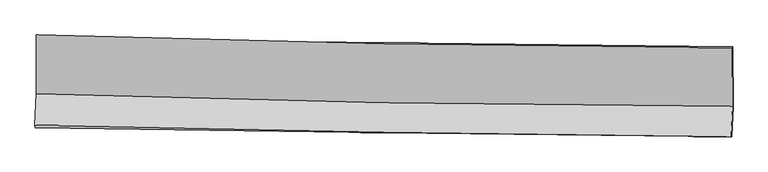
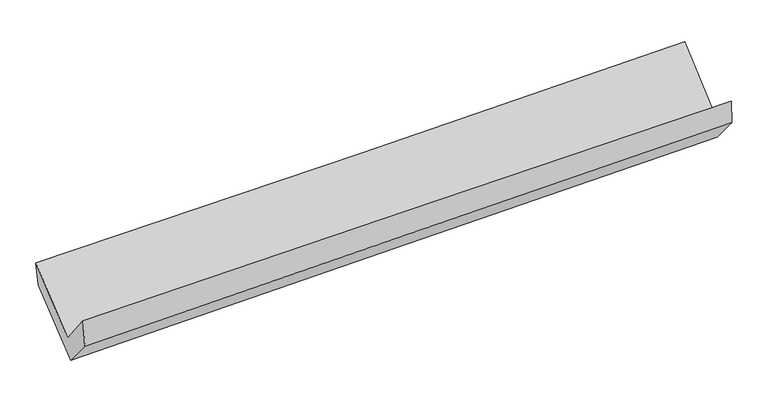
"""IFC4 building model written with IfcOpenShell, lengths in millimetres: proxy geometry."""

from ifc_helpers import new_model, si_unit, frame, origin, place, context, project, spatial, source, transform, mapped, element, save
from ifc_brep_helpers import plane_surface, spline_curve, spline_surface, advanced_brep


def generic_models_0ea28c8b(model_context):
    return source(origin(), model_context, "Body", "AdvancedBrep", [
        advanced_brep(
        [(-3015.7171476, -1157.6137976, 2174.0721249), (-3013.5291553, -1667.1316414, 1736.513459), (3003.8482392, -1774.7642806, 1878.9439353), (3001.408803, -1266.9424133, 2326.4576215), (-3025.2936643, -1937.9570729, 2074.1203578), (2992.4301484, -2037.7368862, 2206.5280469), (-3020.1968284, -1959.0650034, 1835.1890129), (2997.3553338, -2035.787368, 1990.6014614), (-3009.7619923, -1709.2961178, 1542.1344581), (3008.0612243, -1779.5305074, 1689.9345468), (-3011.488417, -1184.8548295, 1969.3243624), (3006.3479901, -1259.0961069, 2113.8605929)],
        [
            (0, 1),
            (1, 2, spline_curve(3, [(-3013.5291553, -1667.1316414, 1736.513459), (-2011.24732462, -1699.459180914, 1777.291459748), (-1008.653442048, -1724.592354336, 1809.549698949), (997.139034879, -1760.469622599, 1857.026194844), (2000.337617201, -1771.213995466, 1872.244781159), (3003.8482392, -1774.7642806, 1878.9439353)], [4, 2, 4], [0.0, 9.875863356493527, 19.751535753491446])),
            (2, 3),
            (3, 0, spline_curve(3, [(3001.408803, -1266.9424133, 2326.4576215), (1998.242252061, -1262.940776031, 2304.884887682), (995.236660659, -1251.829396194, 2281.399870481), (-1010.471996017, -1215.386799475, 2230.604778828), (-2013.175054343, -1190.055307211, 2203.294630427), (-3015.7171476, -1157.6137976, 2174.0721249)], [4, 2, 4], [0.0, 9.875672396997919, 19.751535753491446])),
            (1, 4),
            (4, 5, spline_curve(3, [(-3025.2936643, -1937.9570729, 2074.1203578), (-2022.69576093, -1962.988128806, 2105.841602117), (-1019.914974892, -1983.818681025, 2132.73625835), (985.992969607, -2017.078456217, 2176.871968142), (1989.120121256, -2029.507841854, 2194.113208122), (2992.4301484, -2037.7368862, 2206.5280469)], [4, 2, 4], [0.0, 9.875821188691969, 19.751451418703688])),
            (5, 2),
            (4, 6),
            (6, 7, spline_curve(3, [(-3020.1968284, -1959.0650034, 1835.1890129), (-2017.464441836, -1975.670213941, 1866.618678785), (-1014.630718906, -1990.366392974, 1895.284647224), (991.220005574, -2015.940440374, 1947.08869013), (1994.237003753, -2026.818383249, 1970.226870848), (2997.3553338, -2035.787368, 1990.6014614)], [4, 2, 4], [0.0, 9.875569916500577, 19.750948879179496])),
            (7, 5),
            (6, 8),
            (8, 9, spline_curve(3, [(-3009.7619923, -1709.2961178, 1542.1344581), (-2006.894095192, -1722.657742174, 1569.758414927), (-1003.970029556, -1735.191468789, 1595.887172117), (1001.971044751, -1758.602900267, 1645.153810769), (2004.988051248, -1769.480636679, 1668.291749546), (3008.0612243, -1779.5305074, 1689.9345468)], [4, 2, 4], [0.0, 9.875535370393065, 19.750879787632456])),
            (9, 7),
            (8, 10),
            (10, 11, spline_curve(3, [(-3011.488417, -1184.8548295, 1969.3243624), (-2008.614207797, -1200.133915535, 1995.386428407), (-1005.685887002, -1213.960277071, 2020.462253928), (1000.259584354, -1238.707313673, 2068.640959476), (2003.276732344, -1249.628044193, 2091.743877034), (3006.3479901, -1259.0961069, 2113.8605929)], [4, 2, 4], [0.0, 9.875499878539573, 19.750808804611744])),
            (11, 9),
            (10, 0),
            (3, 11),
        ],
        [
            spline_surface(3, 3, [[(-3015.7171476, -1157.6137976, 2174.0721249), (-2013.175054432, -1190.055307207, 2203.294630418), (-1010.471995904, -1215.386799367, 2230.604778866), (995.236660546, -1251.829396303, 2281.399870443), (1998.242252168, -1262.940776059, 2304.884887533), (3001.408803, -1266.9424133, 2326.4576215)], [(-3014.98781683, -1327.453078867, 2028.219236243), (-2012.532477835, -1359.856598436, 2061.293573533), (-1009.865811286, -1385.121984392, 2090.25308556), (995.870785322, -1421.376138406, 2139.941978601), (1998.940707135, -1432.365182531, 2160.671518751), (3002.221948405, -1436.216369063, 2177.286392756)], [(-3014.25848607, -1497.292360133, 1882.366347657), (-2011.889901249, -1529.657889666, 1919.292516719), (-1009.259626666, -1554.857169357, 1949.901392217), (996.504910102, -1590.92288045, 1998.484086723), (1999.639162089, -1601.789589017, 2016.45815), (3003.035093795, -1605.490324837, 2028.115164044)], [(-3013.5291553, -1667.1316414, 1736.513459), (-2011.247324652, -1699.459180895, 1777.291459834), (-1008.653442048, -1724.592354382, 1809.549698911), (997.139034879, -1760.469622553, 1857.026194882), (2000.337617056, -1771.213995489, 1872.244781218), (3003.8482392, -1774.7642806, 1878.9439353)]], [4, 4], [4, 2, 4], [0.0, 2.1705511922849707], [0.0, 9.875863356493527, 19.751535753491446]),
            spline_surface(3, 3, [[(-3013.5291553, -1667.1316414, 1736.513459), (-2011.247324652, -1699.459180895, 1777.291459834), (-1008.653442048, -1724.592354382, 1809.549698911), (997.139034879, -1760.469622553, 1857.026194882), (2000.337617056, -1771.213995489, 1872.244781218), (3003.8482392, -1774.7642806, 1878.9439353)], [(-3017.450658296, -1757.406785228, 1849.049091943), (-2015.063470106, -1787.302163519, 1886.808173942), (-1012.407286327, -1811.00112989, 1917.278552057), (993.423679841, -1846.005900442, 1963.641452613), (1996.598451751, -1857.311944282, 1979.534256889), (3000.042208923, -1862.421815792, 1988.138639177)], [(-3021.372161304, -1847.681929072, 1961.584724857), (-2018.879615571, -1875.14514616, 1996.324888022), (-1016.161130689, -1897.409905457, 2025.007405237), (989.70832472, -1931.542178389, 2070.256710378), (1992.859286476, -1943.409893099, 2086.823732529), (2996.236178677, -1950.079351008, 2097.333343023)], [(-3025.2936643, -1937.9570729, 2074.1203578), (-2022.695761024, -1962.988128783, 2105.841602131), (-1019.914974968, -1983.818680965, 2132.736258383), (985.992969683, -2017.078456277, 2176.871968109), (1989.12012117, -2029.507841891, 2194.113208201), (2992.4301484, -2037.7368862, 2206.5280469)]], [4, 4], [4, 2, 4], [0.0, 1.3528032485115449], [0.0, 9.875821188691969, 19.751451418703688]),
            spline_surface(3, 3, [[(-3025.2936643, -1937.9570729, 2074.1203578), (-2022.695761024, -1962.988128783, 2105.841602131), (-1019.914974968, -1983.818680965, 2132.736258383), (985.992969683, -2017.078456277, 2176.871968109), (1989.12012117, -2029.507841891, 2194.113208201), (2992.4301484, -2037.7368862, 2206.5280469)], [(-3023.594719007, -1944.993049743, 1994.476576173), (-2020.951987915, -1967.215490482, 2026.100627645), (-1018.153556328, -1986.001251599, 2053.585721388), (987.735314997, -2016.699117708, 2100.27754208), (1990.825748679, -2028.611355646, 2119.484429057), (2994.071876869, -2037.08704682, 2134.552518398)], [(-3021.895773693, -1952.029026557, 1914.832794527), (-2019.208214784, -1971.442852153, 1946.35965314), (-1016.392137643, -1988.183822188, 1974.435184359), (989.477660356, -2016.319779095, 2023.683116019), (1992.531376181, -2027.714869341, 2044.855649919), (2995.713605331, -2036.43720738, 2062.576989902)], [(-3020.1968284, -1959.0650034, 1835.1890129), (-2017.464441674, -1975.670213852, 1866.618678654), (-1014.630719003, -1990.366392822, 1895.284647364), (991.220005671, -2015.940440526, 1947.08868999), (1994.23700369, -2026.818383096, 1970.226870775), (2997.3553338, -2035.787368, 1990.6014614)]], [4, 4], [4, 2, 4], [0.0, 0.7667069674879087], [0.0, 9.875569916500577, 19.750948879179496]),
            spline_surface(3, 3, [[(-3020.1968284, -1959.0650034, 1835.1890129), (-2017.464441674, -1975.670213852, 1866.618678654), (-1014.630719003, -1990.366392822, 1895.284647364), (991.220005671, -2015.940440526, 1947.08868999), (1994.23700369, -2026.818383096, 1970.226870775), (2997.3553338, -2035.787368, 1990.6014614)], [(-3016.7185497, -1875.808708185, 1737.504161297), (-2013.940992832, -1891.332723312, 1767.665257454), (-1011.077155874, -1905.308084834, 1795.48548897), (994.803685373, -1930.161260368, 1846.443730197), (1997.820686261, -1941.039134278, 1869.581830423), (3000.923963966, -1950.368414463, 1890.379156542)], [(-3013.240271, -1792.552413015, 1639.819309703), (-2010.41754399, -1806.995232816, 1668.711836263), (-1007.523592728, -1820.24977692, 1695.686330623), (998.387365092, -1844.382080283, 1745.79877045), (2001.404368832, -1855.25988547, 1768.936790044), (3004.492594134, -1864.949460937, 1790.156851658)], [(-3009.7619923, -1709.2961178, 1542.1344581), (-2006.894095148, -1722.657742276, 1569.758415062), (-1003.970029599, -1735.191468932, 1595.88717223), (1001.971044794, -1758.602900124, 1645.153810656), (2004.988051403, -1769.480636652, 1668.291749692), (3008.0612243, -1779.5305074, 1689.9345468)]], [4, 4], [4, 2, 4], [0.0, 1.2965835961342882], [0.0, 9.875535370393065, 19.750879787632456]),
            spline_surface(3, 3, [[(-3009.7619923, -1709.2961178, 1542.1344581), (-2006.894095148, -1722.657742276, 1569.758415062), (-1003.970029599, -1735.191468932, 1595.88717223), (1001.971044794, -1758.602900124, 1645.153810656), (2004.988051403, -1769.480636652, 1668.291749692), (3008.0612243, -1779.5305074, 1689.9345468)], [(-3010.337467185, -1534.482355023, 1684.531092871), (-2007.467465983, -1548.483133314, 1711.634419472), (-1004.541982012, -1561.447738381, 1737.412199494), (1001.400557954, -1585.304371278, 1786.316193563), (2004.417611741, -1596.196439155, 1809.442458827), (3007.490146215, -1606.052373902, 1831.243228818)], [(-3010.912942115, -1359.668592277, 1826.927727629), (-2008.040836863, -1374.308524384, 1853.510423869), (-1005.113934468, -1387.704007769, 1878.937226761), (1000.830071072, -1412.005842372, 1927.478576473), (2003.847172136, -1422.912241653, 1950.593168009), (3006.919068185, -1432.574240398, 1972.551910882)], [(-3011.488417, -1184.8548295, 1969.3243624), (-2008.614207698, -1200.133915422, 1995.386428279), (-1005.685886881, -1213.960277218, 2020.462254024), (1000.259584233, -1238.707313526, 2068.64095938), (2003.276732474, -1249.628044157, 2091.743877145), (3006.3479901, -1259.0961069, 2113.8605929)]], [4, 4], [4, 2, 4], [0.0, 2.202789201736644], [0.0, 9.875499878539573, 19.750808804611744]),
            spline_surface(3, 3, [[(-3011.488417, -1184.8548295, 1969.3243624), (-2008.614207698, -1200.133915422, 1995.386428279), (-1005.685886881, -1213.960277218, 2020.462254024), (1000.259584233, -1238.707313526, 2068.64095938), (2003.276732474, -1249.628044157, 2091.743877145), (3006.3479901, -1259.0961069, 2113.8605929)], [(-3012.897993882, -1175.774485554, 2037.573616573), (-2010.134489957, -1196.774379372, 2064.689162332), (-1007.281256576, -1214.43578459, 2090.50976231), (998.585276316, -1243.081341107, 2139.560596406), (2001.598572395, -1254.065621451, 2162.790880616), (3004.701594423, -1261.71154236, 2184.726269109)], [(-3014.307570718, -1166.694141546, 2105.822870727), (-2011.654772172, -1193.414843258, 2133.991896365), (-1008.876626209, -1214.911291995, 2160.55727058), (996.910968462, -1247.455368722, 2210.480233417), (1999.920412247, -1258.503198764, 2233.837884061), (3003.055198677, -1264.32697784, 2255.591945291)], [(-3015.7171476, -1157.6137976, 2174.0721249), (-2013.175054432, -1190.055307207, 2203.294630418), (-1010.471995904, -1215.386799367, 2230.604778866), (995.236660546, -1251.829396303, 2281.399870443), (1998.242252168, -1262.940776059, 2304.884887533), (3001.408803, -1266.9424133, 2326.4576215)]], [4, 4], [4, 2, 4], [0.0, 0.6943327247444534], [0.0, 9.875543111540916, 19.750895269778475]),
            plane_surface(frame((3001.5752898, -1692.3095937, 2034.3877008), z_axis=(0.9996280270581028, -0.015170592201248802, 0.02266408286670059), x_axis=(-0.0025523279979139555, 0.7753284680384497, 0.6315530478676689))),
            plane_surface(frame((-3015.9978675, -1602.6530771, 1888.5589625), z_axis=(-0.9996280270580835, 0.01517059220169074, -0.02266408286724782), x_axis=(0.020468671963634843, -0.13185700188696015, -0.9910573971881887))),
        ],
        [
            (0, [[1, 2, 3, 4]]),
            (1, [[5, 6, 7, -2]]),
            (2, [[8, 9, 10, -6]]),
            (3, [[11, 12, 13, -9]]),
            (4, [[14, 15, 16, -12]]),
            (5, [[17, -4, 18, -15]]),
            (6, [[-16, -18, -3, -7, -10, -13]]),
            (7, [[-17, -14, -11, -8, -5, -1]]),
        ],
    ),
    ])


if __name__ == "__main__":
    model = new_model("IFC4")
    model_context = context("Model", 3, world=origin())
    ifc_project = project(units=[si_unit("LENGTHUNIT", "METRE", prefix="MILLI")], contexts=[model_context])
    site = spatial("IfcSite", under=ifc_project)
    building = spatial("IfcBuilding", under=site)
    placement = place(None, origin())
    generic_models_shape = generic_models_0ea28c8b(model_context)
    element("IfcBuildingElementProxy", 1, Name="Generic Models", at=placement, inside=building, context=model_context, shape_type="MappedRepresentation", body=[
        mapped(generic_models_shape, transform((0.0, 0.0, 0.0), x_axis=(1.0, 0.0, 0.0), y_axis=(0.0, 1.0, 0.0), z_axis=(0.0, 0.0, 1.0))),
    ])
    save(model, "model.ifc")
